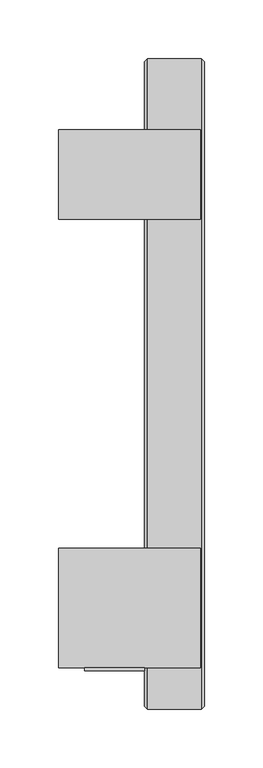
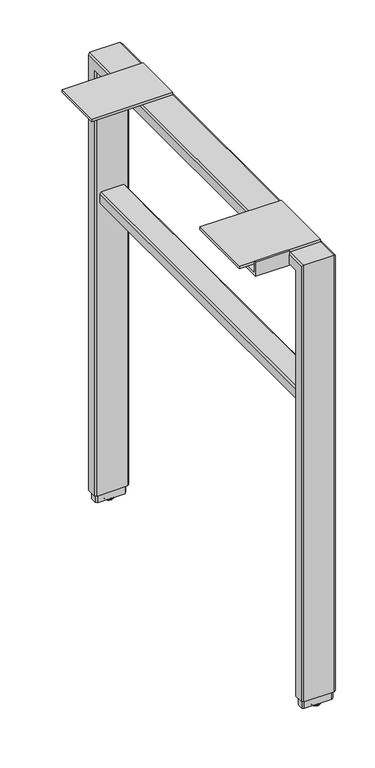
"""IFC4 building model written with IfcOpenShell, lengths in millimetres: furniture geometry."""

from ifc_helpers import new_model, si_unit, point, frame, origin, place, context, project, spatial, polyline, circle_curve, ellipse_curve, trimmed, outline, extrude, faceted_brep, source, transform, mapped, element, save
from ifc_brep_helpers import plane_surface, cylinder_surface, revolved_surface, advanced_brep


def furniture_7e2a5e87(model_context):
    return source(origin(), model_context, "Body", "SolidModel", [
        faceted_brep([(-713.738802, -269.2087799, 16.51), (-711.1994, -271.7487775, 16.51), (-711.1994, -285.7187823, 16.51), (-713.738802, -288.2587799, 16.51), (-759.458801, -288.2587799, 16.51), (-761.998801, -285.7187823, 16.51), (-761.998801, -271.7487775, 16.51), (-759.458801, -269.2087799, 16.51), (-711.1994, -271.7487775, 686.1556198), (-711.1994, 247.9860177, 686.1556198), (-711.1994, 247.9860177, 16.51), (-711.1994, 261.9560225, 16.51), (-711.1994, 261.9560225, 700.1256246), (-711.1994, -285.7187823, 700.1256246), (-713.738802, -288.2587799, 702.6656222), (-759.458801, -288.2587799, 702.6656222), (-761.998801, -285.7187823, 700.1256246), (-761.998801, 261.9560225, 700.1256246), (-761.998801, 261.9560225, 16.51), (-761.998801, 247.9860177, 16.51), (-761.998801, 247.9860177, 686.1556198), (-761.998801, -271.7487775, 686.1556198), (-759.458801, -269.2087799, 683.6156222), (-713.738802, -269.2087799, 683.6156222), (-713.738802, 264.4960201, 702.6656222), (-759.458801, 264.4960201, 702.6656222), (-759.458801, 245.4460201, 683.6156222), (-713.738802, 245.4460201, 683.6156222), (-713.738802, 264.4960201, 16.51), (-759.458801, 264.4960201, 16.51), (-759.458801, 245.4460201, 16.51), (-713.738802, 245.4460201, 16.51)], [[[0, 1, 2, 3, 4, 5, 6, 7]], [[2, 1, 8, 9, 10, 11, 12, 13]], [[4, 3, 14, 15]], [[6, 5, 16, 17, 18, 19, 20, 21]], [[0, 7, 22, 23]], [[15, 14, 24, 25]], [[23, 22, 26, 27]], [[25, 24, 28, 29]], [[27, 26, 30, 31]], [[31, 30, 19, 18, 29, 28, 11, 10]], [[1, 0, 23, 8]], [[3, 2, 13, 14]], [[5, 4, 15, 16]], [[7, 6, 21, 22]], [[8, 23, 27, 9]], [[14, 13, 12, 24]], [[16, 15, 25, 17]], [[22, 21, 20, 26]], [[9, 27, 31, 10]], [[24, 12, 11, 28]], [[17, 25, 29, 18]], [[26, 20, 19, 30]]]),
        extrude(outline(polyline([(-255.6197799, 684.5046222), (-255.6197799, 707.0090222), (-253.3337799, 707.0090222), (-253.3337799, 688.8480222), (-232.2517799, 688.8480222), (-232.2517799, 684.5046222), (-255.6197799, 684.5046222)])), frame((-812.862301, 0.0, 0.0), z_axis=(1.0, 0.0, 0.0), x_axis=(0.0, 1.0, 0.0)), (0.0, 0.0, 1.0), 50.8),
        advanced_brep(
        [(-731.5193954, 254.9710201, 0.0), (-741.6793993, 254.9710201, 0.0), (-736.5993974, 254.9710201, 0.0), (-736.5993974, 254.9710201, 3.8100001), (-743.2220422, 254.9710201, 3.8100001), (-729.9767525, 254.9710201, 3.8100001), (-743.7113974, 254.9710201, 3.183654), (-729.4873973, 254.9710201, 3.183654), (-743.7113974, 254.9710201, 2.032), (-729.4873973, 254.9710201, 2.032)],
        [
            (0, 1, circle_curve(frame((-736.5993974, 254.9710201, 0.0), z_axis=(0.0, 0.0, -1.0), x_axis=(-1.0, 0.0, 0.0)), 5.080002)),
            (1, 2),
            (2, 0),
            (1, 0, circle_curve(frame((-736.5993974, 254.9710201, 0.0), z_axis=(0.0, 0.0, -1.0), x_axis=(-1.0, 0.0, 0.0)), 5.080002)),
            (3, 4),
            (4, 5, circle_curve(frame((-736.5993974, 254.9710201, 3.8100001), z_axis=(0.0, 0.0, 1.0), x_axis=(-1.0, 0.0, 0.0)), 6.6226448)),
            (5, 3),
            (5, 4, circle_curve(frame((-736.5993974, 254.9710201, 3.8100001), z_axis=(0.0, 0.0, 1.0), x_axis=(-1.0, 0.0, 0.0)), 6.6226448)),
            (4, 6),
            (6, 7, circle_curve(frame((-736.5993974, 254.9710201, 3.183654), z_axis=(0.0, 0.0, 1.0), x_axis=(-1.0, 0.0, 0.0)), 7.112)),
            (7, 5),
            (7, 6, circle_curve(frame((-736.5993974, 254.9710201, 3.183654), z_axis=(0.0, 0.0, 1.0), x_axis=(-1.0, 0.0, 0.0)), 7.112)),
            (6, 8),
            (8, 9, circle_curve(frame((-736.5993974, 254.9710201, 2.032), z_axis=(0.0, 0.0, 1.0), x_axis=(-1.0, 0.0, 0.0)), 7.112)),
            (9, 7),
            (9, 8, circle_curve(frame((-736.5993974, 254.9710201, 2.032), z_axis=(0.0, 0.0, 1.0), x_axis=(-1.0, 0.0, 0.0)), 7.112)),
            (8, 1, circle_curve(frame((-740.2425579, 254.9710201, 3.4688381), z_axis=(0.0, -1.0, 0.0), x_axis=(-1.0, 0.0, 0.0)), 3.7546439)),
            (0, 9, circle_curve(frame((-732.9562368, 254.9710201, 3.4688381), z_axis=(0.0, -1.0, 0.0), x_axis=(1.0, 0.0, 0.0)), 3.7546439)),
        ],
        [
            plane_surface(frame((-736.5993974, 254.9710201, 0.0), z_axis=(0.0, 0.0, -1.0), x_axis=(-1.0, 0.0, 0.0))),
            plane_surface(frame((-736.5993974, 254.9710201, 3.8100001), z_axis=(0.0, 0.0, 1.0), x_axis=(-1.0, 0.0, 0.0))),
            revolved_surface(polyline([(-743.7113974, 254.9710201, 3.183654), (-743.2220422, 254.9710201, 3.8100001)]), (-736.5993974, 254.9710201, -2.6032322), (0.0, 0.0, 1.0)),
            cylinder_surface(frame((-736.5993974, 254.9710201, -2.6032322), z_axis=(0.0, 0.0, 1.0), x_axis=(-1.0, 0.0, 0.0)), 7.112),
            revolved_surface(trimmed(ellipse_curve(frame((-740.2425579, 254.9710201, 3.4688381), z_axis=(0.0, 1.0, 0.0), x_axis=(-1.0, 0.0, 0.0)), 3.7546439, 3.7546439), [point((-741.6793993, 254.9710201, 0.0))], [point((-743.7113974, 254.9710201, 2.032))], True, "CARTESIAN"), (-736.5993974, 254.9710201, -2.6032322), (0.0, 0.0, 1.0)),
        ],
        [
            (0, [[1, 2, 3]]),
            (0, [[4, -3, -2]]),
            (1, [[5, 6, 7]]),
            (1, [[-7, 8, -5]]),
            (2, [[-6, 9, 10, 11]]),
            (2, [[-8, -11, 12, -9]]),
            (3, [[-10, 13, 14, 15]]),
            (3, [[-12, -15, 16, -13]]),
            (4, [[-14, 17, -1, 18]]),
            (4, [[-16, -18, -4, -17]]),
        ],
    ),
        extrude(outline(polyline([(-714.437301, -151.7337799), (-714.437301, -253.3337799), (-835.087301, -253.3337799), (-835.087301, -151.7337799), (-714.437301, -151.7337799)])), frame((0.0, 0.0, 702.6656222), z_axis=(0.0, 0.0, 1.0), x_axis=(1.0, 0.0, 0.0)), (0.0, 0.0, 1.0), 4.3434),
        extrude(outline(polyline([(-714.437301, 204.1710201), (-714.437301, 127.9710201), (-835.087301, 127.9710201), (-835.087301, 204.1710201), (-714.437301, 204.1710201)])), frame((0.0, 0.0, 702.6656222), z_axis=(0.0, 0.0, 1.0), x_axis=(1.0, 0.0, 0.0)), (0.0, 0.0, 1.0), 4.3434),
        extrude(outline(polyline([(476.5039908, -755.6487993), (473.9639932, -753.1088017), (473.9639932, -720.0887986), (476.5039908, -717.548801), (490.4739956, -717.548801), (493.0139932, -720.0887986), (493.0139932, -753.1087989), (490.4739928, -755.6487993), (476.5039908, -755.6487993)])), frame((0.0, -269.2087799, 0.0), z_axis=(0.0, 1.0, 0.0), x_axis=(0.0, 0.0, 1.0)), (0.0, 0.0, 1.0), 514.6548),
        advanced_brep(
        [(-731.5193954, -278.7337799, 0.0), (-741.6793993, -278.7337799, 0.0), (-736.5993974, -278.7337799, 0.0), (-736.5993974, -278.7337799, 3.8100001), (-743.2220422, -278.7337799, 3.8100001), (-729.9767525, -278.7337799, 3.8100001), (-743.7113974, -278.7337799, 3.183654), (-729.4873973, -278.7337799, 3.183654), (-743.7113974, -278.7337799, 2.032), (-729.4873973, -278.7337799, 2.032)],
        [
            (0, 1, circle_curve(frame((-736.5993974, -278.7337799, 0.0), z_axis=(0.0, 0.0, -1.0), x_axis=(-1.0, 0.0, 0.0)), 5.080002)),
            (1, 2),
            (2, 0),
            (1, 0, circle_curve(frame((-736.5993974, -278.7337799, 0.0), z_axis=(0.0, 0.0, -1.0), x_axis=(-1.0, 0.0, 0.0)), 5.080002)),
            (3, 4),
            (4, 5, circle_curve(frame((-736.5993974, -278.7337799, 3.8100001), z_axis=(0.0, 0.0, 1.0), x_axis=(-1.0, 0.0, 0.0)), 6.6226448)),
            (5, 3),
            (5, 4, circle_curve(frame((-736.5993974, -278.7337799, 3.8100001), z_axis=(0.0, 0.0, 1.0), x_axis=(-1.0, 0.0, 0.0)), 6.6226448)),
            (4, 6),
            (6, 7, circle_curve(frame((-736.5993974, -278.7337799, 3.183654), z_axis=(0.0, 0.0, 1.0), x_axis=(-1.0, 0.0, 0.0)), 7.112)),
            (7, 5),
            (7, 6, circle_curve(frame((-736.5993974, -278.7337799, 3.183654), z_axis=(0.0, 0.0, 1.0), x_axis=(-1.0, 0.0, 0.0)), 7.112)),
            (6, 8),
            (8, 9, circle_curve(frame((-736.5993974, -278.7337799, 2.032), z_axis=(0.0, 0.0, 1.0), x_axis=(-1.0, 0.0, 0.0)), 7.112)),
            (9, 7),
            (9, 8, circle_curve(frame((-736.5993974, -278.7337799, 2.032), z_axis=(0.0, 0.0, 1.0), x_axis=(-1.0, 0.0, 0.0)), 7.112)),
            (8, 1, circle_curve(frame((-740.2425579, -278.7337799, 3.4688381), z_axis=(0.0, -1.0, 0.0), x_axis=(-1.0, 0.0, 0.0)), 3.7546439)),
            (0, 9, circle_curve(frame((-732.9562368, -278.7337799, 3.4688381), z_axis=(0.0, -1.0, 0.0), x_axis=(1.0, 0.0, 0.0)), 3.7546439)),
        ],
        [
            plane_surface(frame((-736.5993974, -278.7337799, 0.0), z_axis=(0.0, 0.0, -1.0), x_axis=(-1.0, 0.0, 0.0))),
            plane_surface(frame((-736.5993974, -278.7337799, 3.8100001), z_axis=(0.0, 0.0, 1.0), x_axis=(-1.0, 0.0, 0.0))),
            revolved_surface(polyline([(-743.7113974, -278.7337799, 3.183654), (-743.2220422, -278.7337799, 3.8100001)]), (-736.5993974, -278.7337799, -2.6032322), (0.0, 0.0, 1.0)),
            cylinder_surface(frame((-736.5993974, -278.7337799, -2.6032322), z_axis=(0.0, 0.0, 1.0), x_axis=(-1.0, 0.0, 0.0)), 7.112),
            revolved_surface(trimmed(ellipse_curve(frame((-740.2425579, -278.7337799, 3.4688381), z_axis=(0.0, 1.0, 0.0), x_axis=(-1.0, 0.0, 0.0)), 3.7546439, 3.7546439), [point((-741.6793993, -278.7337799, 0.0))], [point((-743.7113974, -278.7337799, 2.032))], True, "CARTESIAN"), (-736.5993974, -278.7337799, -2.6032322), (0.0, 0.0, 1.0)),
        ],
        [
            (0, [[1, 2, 3]]),
            (0, [[4, -3, -2]]),
            (1, [[5, 6, 7]]),
            (1, [[-7, 8, -5]]),
            (2, [[-6, 9, 10, 11]]),
            (2, [[-8, -11, 12, -9]]),
            (3, [[-10, 13, 14, 15]]),
            (3, [[-12, -15, 16, -13]]),
            (4, [[-14, 17, -1, 18]]),
            (4, [[-16, -18, -4, -17]]),
        ],
    ),
        extrude(outline(polyline([(-757.0458011, -271.6217867), (-716.1523987, -271.6217867), (-713.6118022, -274.1617843), (-713.6118022, -283.3057756), (-716.1523987, -285.8457731), (-757.0458011, -285.8457731), (-759.5858009, -283.3057756), (-759.5858009, -274.1617843), (-757.0458011, -271.6217867)])), frame((0.0, 0.0, 3.8100001), z_axis=(0.0, 0.0, 1.0), x_axis=(1.0, 0.0, 0.0)), (0.0, 0.0, 1.0), 12.6999999),
        extrude(outline(polyline([(-757.0458011, 262.0830201), (-716.1523987, 262.0830201), (-713.6118022, 259.5430225), (-713.6118022, 250.3990312), (-716.1523987, 247.8590336), (-757.0458011, 247.8590336), (-759.5858009, 250.3990312), (-759.5858009, 259.5430225), (-757.0458011, 262.0830201)])), frame((0.0, 0.0, 3.8100001), z_axis=(0.0, 0.0, 1.0), x_axis=(1.0, 0.0, 0.0)), (0.0, 0.0, 1.0), 12.6999999),
    ])


if __name__ == "__main__":
    model = new_model("IFC4")
    model_context = context("Model", 3, world=origin())
    ifc_project = project(units=[si_unit("LENGTHUNIT", "METRE", prefix="MILLI")], contexts=[model_context])
    site = spatial("IfcSite", under=ifc_project)
    building = spatial("IfcBuilding", under=site)
    placement = place(None, origin())
    furniture_shape = furniture_7e2a5e87(model_context)
    element("IfcFurniture", 1, at=placement, inside=building, context=model_context, shape_type="MappedRepresentation", body=[
        mapped(furniture_shape, transform((0.0, 0.0, 0.0), x_axis=(1.0, 0.0, 0.0), y_axis=(0.0, 1.0, 0.0), z_axis=(0.0, 0.0, 1.0))),
    ])
    save(model, "model.ifc")
